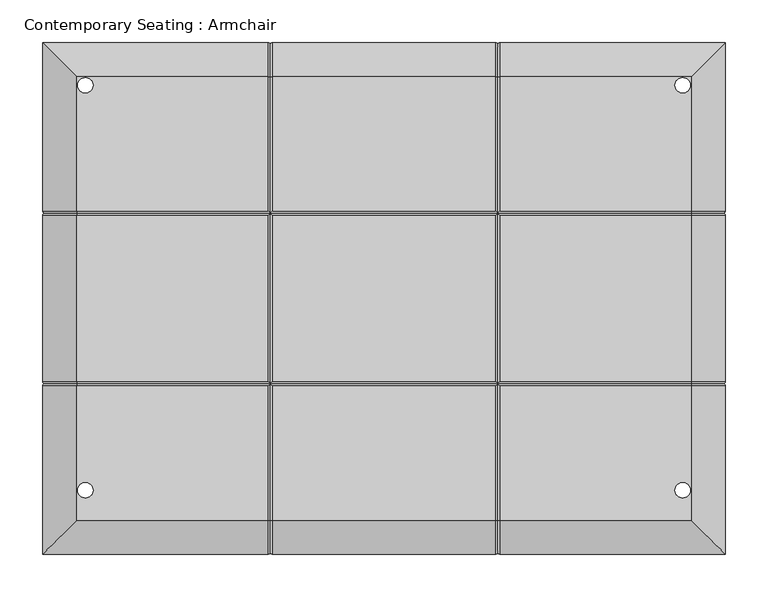
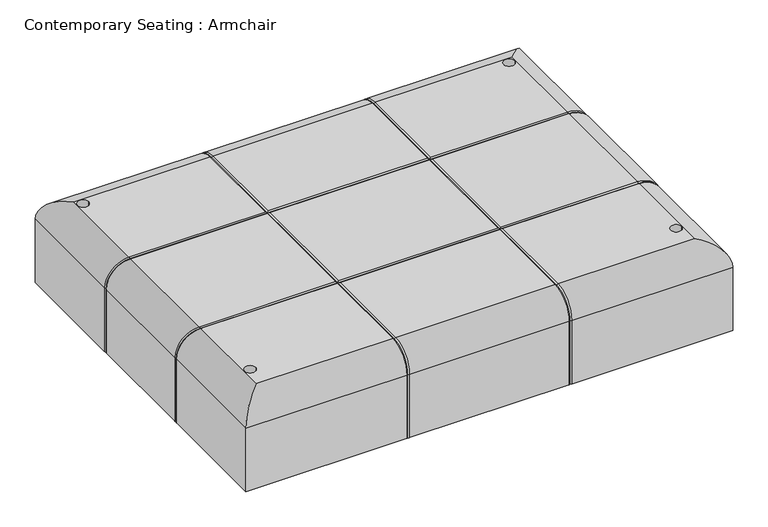
"""IFC4 building model written with IfcOpenShell, lengths in millimetres: furniture geometry, Contemporary Seating : Armchair."""

from ifc_helpers import new_model, si_unit, point, frame, origin, place, context, project, spatial, polyline, circle_curve, ellipse_curve, trimmed, source, transform, mapped, element, save
from ifc_brep_helpers import plane_surface, cylinder_surface, revolved_surface, advanced_brep


def contemporary_seating_armchair_13fb45e9(model_context):
    return source(origin(), model_context, "Body", "AdvancedBrep", [
        advanced_brep(
        [(-278.6188067, -600.0, 360.0), (-278.6188067, -600.0, 250.0), (-14.6315493, -600.0, 250.0), (-14.6315493, -600.0, 360.0), (521.3811933, -600.0, 250.0), (521.3811933, -600.0, 360.0), (257.3939359, -600.0, 360.0), (257.3939359, -600.0, 250.0), (-9.2727308, -600.0, 250.0), (252.0351174, -600.0, 250.0), (252.0351174, -600.0, 360.0), (-9.2727308, -600.0, 360.0), (521.3811933, 0.0, 360.0), (521.3811933, 0.0, 250.0), (257.3939359, 0.0, 250.0), (257.3939359, 0.0, 360.0), (-278.6188067, 0.0, 250.0), (-278.6188067, 0.0, 360.0), (-14.6315493, 0.0, 360.0), (-14.6315493, 0.0, 250.0), (252.0351174, 0.0, 250.0), (-9.2727308, 0.0, 250.0), (-9.2727308, 0.0, 360.0), (252.0351174, 0.0, 360.0), (-238.6188067, -402.679408, 400.0), (-238.6188067, -560.0, 400.0), (-14.6315493, -560.0, 400.0), (-14.6315493, -402.6794092, 400.0), (-237.6188067, -525.0, 400.0), (-219.6188067, -525.0, 400.0), (-238.6188067, -40.0, 400.0), (-238.6188067, -197.3205908, 400.0), (-14.6315493, -197.3205908, 400.0), (-14.6315493, -40.0, 400.0), (-219.6188067, -50.0, 400.0), (-237.6188067, -50.0, 400.0), (-238.6188067, -202.6794084, 400.0), (-238.6188067, -397.3205908, 400.0), (-14.6315493, -397.3205908, 400.0), (-14.6315493, -202.6794092, 400.0), (481.3811933, -560.0, 400.0), (481.3811933, -402.6794092, 400.0), (257.3939359, -402.6794092, 400.0), (257.3939359, -560.0, 400.0), (480.3811933, -525.0, 400.0), (462.3811933, -525.0, 400.0), (481.3811933, -197.3205908, 400.0), (481.3811933, -40.0, 400.0), (257.3939359, -40.0, 400.0), (257.3939359, -197.3205908, 400.0), (462.3811933, -50.0, 400.0), (480.3811933, -50.0, 400.0), (481.3811933, -397.3205908, 400.0), (481.3811933, -202.6794092, 400.0), (257.3939359, -202.6794092, 400.0), (257.3939359, -397.3205908, 400.0), (252.0351187, -40.0, 400.0), (-9.2727308, -40.0, 400.0), (-9.2727308, -197.3205908, 400.0), (252.0351174, -197.3205908, 400.0), (-9.2727308, -560.0, 400.0), (252.0351174, -560.0, 400.0), (252.0351174, -402.6794092, 400.0), (-9.2727308, -402.6794092, 400.0), (-9.2727308, -397.3205908, 400.0), (252.0351174, -397.3205908, 400.0), (252.0351174, -202.6794092, 400.0), (-9.2727308, -202.6794092, 400.0), (-278.6188067, -402.6794092, 360.0), (-278.6188067, -402.6794092, 250.0), (-278.6188067, -197.3205908, 250.0), (-278.6188067, -197.3205908, 360.0), (-278.6188067, -397.3205908, 360.0), (-278.6188067, -202.6794092, 360.0), (-278.6188067, -202.6794092, 250.0), (-278.6188067, -397.3205908, 250.0), (-275.9393975, -400.0, 250.0), (-275.9393975, -200.0, 250.0), (-11.95214, -2.6794092, 250.0), (254.7145266, -2.6794092, 250.0), (521.3811933, -197.3205908, 250.0), (518.7017841, -200.0, 250.0), (521.3811933, -202.6794092, 250.0), (521.3811933, -397.3205908, 250.0), (518.7017841, -400.0, 250.0), (521.3811933, -402.6794092, 250.0), (254.7145266, -597.3205908, 250.0), (-11.95214, -597.3205908, 250.0), (-237.6188067, -50.0, 250.0), (-219.6188067, -50.0, 250.0), (480.3811933, -50.0, 250.0), (462.3811933, -50.0, 250.0), (462.3811933, -525.0, 250.0), (480.3811933, -525.0, 250.0), (-219.6188067, -525.0, 250.0), (-237.6188067, -525.0, 250.0), (521.3811933, -402.6794092, 360.0), (521.3811933, -197.3205908, 360.0), (521.3811933, -202.6794092, 360.0), (521.3811933, -397.3205908, 360.0), (-275.9393975, -400.0, 360.0), (-275.9393975, -200.0, 360.0), (-238.6188067, -400.0, 397.3205908), (-238.6188067, -200.0, 397.3205908), (-11.95214, -400.0, 397.3205908), (254.7145266, -400.0, 397.3205908), (481.3811933, -400.0, 397.3205908), (-11.95214, -200.0, 397.3205908), (254.7145266, -200.0, 397.3205908), (481.3811933, -200.0, 397.3205908), (518.7017841, -400.0, 360.0), (518.7017841, -200.0, 360.0), (-11.95214, -2.6794092, 360.0), (254.7145266, -2.6794092, 360.0), (-11.95214, -40.0, 397.3205908), (254.7145266, -40.0, 397.3205908), (-11.95214, -560.0, 397.3205908), (254.7145266, -560.0, 397.3205908), (-11.95214, -597.3205908, 360.0), (254.7145266, -597.3205908, 360.0)],
        [
            (0, 1),
            (1, 2),
            (2, 3),
            (3, 0),
            (4, 5),
            (5, 6),
            (6, 7),
            (7, 4),
            (8, 9),
            (9, 10),
            (10, 11),
            (11, 8),
            (12, 13),
            (13, 14),
            (14, 15),
            (15, 12),
            (16, 17),
            (17, 18),
            (18, 19),
            (19, 16),
            (20, 21),
            (21, 22),
            (22, 23),
            (23, 20),
            (24, 25),
            (25, 26),
            (26, 27),
            (27, 24),
            (28, 29, circle_curve(frame((-228.6188067, -525.0, 400.0), z_axis=(0.0, 0.0, -1.0), x_axis=(1.0, 0.0, 0.0)), 9.0)),
            (29, 28, circle_curve(frame((-228.6188067, -525.0, 400.0), z_axis=(0.0, 0.0, -1.0), x_axis=(1.0, 0.0, 0.0)), 9.0)),
            (30, 31),
            (31, 32),
            (32, 33),
            (33, 30),
            (34, 35, circle_curve(frame((-228.6188067, -50.0, 400.0), z_axis=(0.0, 0.0, -1.0), x_axis=(1.0, 0.0, 0.0)), 9.0)),
            (35, 34, circle_curve(frame((-228.6188067, -50.0, 400.0), z_axis=(0.0, 0.0, -1.0), x_axis=(1.0, 0.0, 0.0)), 9.0)),
            (36, 37),
            (37, 38),
            (38, 39),
            (39, 36),
            (40, 41),
            (41, 42),
            (42, 43),
            (43, 40),
            (44, 45, circle_curve(frame((471.3811933, -525.0, 400.0), z_axis=(0.0, 0.0, -1.0), x_axis=(1.0, 0.0, 0.0)), 9.0)),
            (45, 44, circle_curve(frame((471.3811933, -525.0, 400.0), z_axis=(0.0, 0.0, -1.0), x_axis=(1.0, 0.0, 0.0)), 9.0)),
            (46, 47),
            (47, 48),
            (48, 49),
            (49, 46),
            (50, 51, circle_curve(frame((471.3811933, -50.0, 400.0), z_axis=(0.0, 0.0, -1.0), x_axis=(1.0, 0.0, 0.0)), 9.0)),
            (51, 50, circle_curve(frame((471.3811933, -50.0, 400.0), z_axis=(0.0, 0.0, -1.0), x_axis=(1.0, 0.0, 0.0)), 9.0)),
            (52, 53),
            (53, 54),
            (54, 55),
            (55, 52),
            (56, 57),
            (57, 58),
            (58, 59),
            (59, 56),
            (60, 61),
            (61, 62),
            (62, 63),
            (63, 60),
            (64, 65),
            (65, 66),
            (66, 67),
            (67, 64),
            (0, 68),
            (68, 69),
            (69, 1),
            (16, 70),
            (70, 71),
            (71, 17),
            (72, 73),
            (73, 74),
            (74, 75),
            (75, 72),
            (69, 76, circle_curve(frame((-275.9393975, -402.6794092, 250.0), z_axis=(0.0, 0.0, -1.0), x_axis=(1.0, 0.0, 0.0)), 2.6794092)),
            (76, 75, circle_curve(frame((-275.9393975, -397.3205908, 250.0), z_axis=(0.0, 0.0, -1.0), x_axis=(1.0, 0.0, 0.0)), 2.6794092)),
            (74, 77, circle_curve(frame((-275.9393975, -202.6794092, 250.0), z_axis=(0.0, 0.0, -1.0), x_axis=(1.0, 0.0, 0.0)), 2.6794092)),
            (77, 70, circle_curve(frame((-275.9393975, -197.3205908, 250.0), z_axis=(0.0, 0.0, -1.0), x_axis=(1.0, 0.0, 0.0)), 2.6794092)),
            (19, 78, circle_curve(frame((-14.6315493, -2.6794092, 250.0), z_axis=(0.0, 0.0, -1.0), x_axis=(1.0, 0.0, 0.0)), 2.6794092)),
            (78, 21, circle_curve(frame((-9.2727308, -2.6794092, 250.0), z_axis=(0.0, 0.0, -1.0), x_axis=(1.0, 0.0, 0.0)), 2.6794092)),
            (20, 79, circle_curve(frame((252.0351174, -2.6794092, 250.0), z_axis=(0.0, 0.0, -1.0), x_axis=(1.0, 0.0, 0.0)), 2.6794092)),
            (79, 14, circle_curve(frame((257.3939359, -2.6794092, 250.0), z_axis=(0.0, 0.0, -1.0), x_axis=(1.0, 0.0, 0.0)), 2.6794092)),
            (13, 80),
            (80, 81, circle_curve(frame((518.7017841, -197.3205908, 250.0), z_axis=(0.0, 0.0, -1.0), x_axis=(-1.0, 0.0, 0.0)), 2.6794092)),
            (81, 82, circle_curve(frame((518.7017841, -202.6794092, 250.0), z_axis=(0.0, 0.0, -1.0), x_axis=(-1.0, 0.0, 0.0)), 2.6794092)),
            (82, 83),
            (83, 84, circle_curve(frame((518.7017841, -397.3205908, 250.0), z_axis=(0.0, 0.0, -1.0), x_axis=(-1.0, 0.0, 0.0)), 2.6794092)),
            (84, 85, circle_curve(frame((518.7017841, -402.6794092, 250.0), z_axis=(0.0, 0.0, -1.0), x_axis=(-1.0, 0.0, 0.0)), 2.6794092)),
            (85, 4),
            (7, 86, circle_curve(frame((257.3939359, -597.3205908, 250.0), z_axis=(0.0, 0.0, -1.0), x_axis=(1.0, 0.0, 0.0)), 2.6794092)),
            (86, 9, circle_curve(frame((252.0351174, -597.3205908, 250.0), z_axis=(0.0, 0.0, -1.0), x_axis=(1.0, 0.0, 0.0)), 2.6794092)),
            (8, 87, circle_curve(frame((-9.2727308, -597.3205908, 250.0), z_axis=(0.0, 0.0, -1.0), x_axis=(1.0, 0.0, 0.0)), 2.6794092)),
            (87, 2, circle_curve(frame((-14.6315493, -597.3205908, 250.0), z_axis=(0.0, 0.0, -1.0), x_axis=(1.0, 0.0, 0.0)), 2.6794092)),
            (88, 89, circle_curve(frame((-228.6188067, -50.0, 250.0), z_axis=(0.0, 0.0, 1.0), x_axis=(1.0, 0.0, 0.0)), 9.0)),
            (89, 88, circle_curve(frame((-228.6188067, -50.0, 250.0), z_axis=(0.0, 0.0, 1.0), x_axis=(1.0, 0.0, 0.0)), 9.0)),
            (90, 91, circle_curve(frame((471.3811933, -50.0, 250.0), z_axis=(0.0, 0.0, 1.0), x_axis=(1.0, 0.0, 0.0)), 9.0)),
            (91, 90, circle_curve(frame((471.3811933, -50.0, 250.0), z_axis=(0.0, 0.0, 1.0), x_axis=(1.0, 0.0, 0.0)), 9.0)),
            (92, 93, circle_curve(frame((471.3811933, -525.0, 250.0), z_axis=(0.0, 0.0, 1.0), x_axis=(1.0, 0.0, 0.0)), 9.0)),
            (93, 92, circle_curve(frame((471.3811933, -525.0, 250.0), z_axis=(0.0, 0.0, 1.0), x_axis=(1.0, 0.0, 0.0)), 9.0)),
            (94, 95, circle_curve(frame((-228.6188067, -525.0, 250.0), z_axis=(0.0, 0.0, 1.0), x_axis=(1.0, 0.0, 0.0)), 9.0)),
            (95, 94, circle_curve(frame((-228.6188067, -525.0, 250.0), z_axis=(0.0, 0.0, 1.0), x_axis=(1.0, 0.0, 0.0)), 9.0)),
            (85, 96),
            (96, 5),
            (12, 97),
            (97, 80),
            (82, 98),
            (98, 99),
            (99, 83),
            (36, 73, circle_curve(frame((-238.6188067, -202.6794092, 360.0), z_axis=(0.0, -1.0, 0.0), x_axis=(-1.0, 0.0, 0.0)), 40.0)),
            (72, 37, circle_curve(frame((-238.6188067, -397.3205908, 360.0), z_axis=(0.0, 1.0, 0.0), x_axis=(-1.0, 0.0, 0.0)), 40.0)),
            (30, 17, ellipse_curve(frame((-238.6188067, -40.0, 360.0), z_axis=(-0.7071067811865475, -0.7071067811865475, 0.0), x_axis=(-0.7071067811865474, 0.7071067811865476, 0.0)), 56.5685425, 40.0)),
            (71, 31, circle_curve(frame((-238.6188067, -197.3205908, 360.0), z_axis=(0.0, 1.0, 0.0), x_axis=(-1.0, 0.0, 0.0)), 40.0)),
            (0, 25, ellipse_curve(frame((-238.6188067, -560.0, 360.0), z_axis=(-0.7071067811865475, 0.7071067811865475, 0.0), x_axis=(0.7071067811865474, 0.7071067811865476, 0.0)), 56.5685425, 40.0)),
            (24, 68, circle_curve(frame((-238.6188067, -402.6794092, 360.0), z_axis=(0.0, -1.0, 0.0), x_axis=(-1.0, 0.0, 0.0)), 40.0)),
            (22, 57, circle_curve(frame((-9.2727308, -40.0, 360.0), z_axis=(1.0, 0.0, 0.0), x_axis=(0.0, 1.0, 0.0)), 40.0)),
            (56, 23, circle_curve(frame((252.0351174, -40.0, 360.0), z_axis=(-1.0, 0.0, 0.0), x_axis=(0.0, 1.0, 0.0)), 40.0)),
            (33, 18, circle_curve(frame((-14.6315493, -40.0, 360.0), z_axis=(-1.0, 0.0, 0.0), x_axis=(0.0, 1.0, 0.0)), 40.0)),
            (47, 12, ellipse_curve(frame((481.3811933, -40.0, 360.0), z_axis=(-0.7071067811865475, 0.7071067811865475, 0.0), x_axis=(0.7071067811865476, 0.7071067811865474, 0.0)), 56.5685425, 40.0)),
            (15, 48, circle_curve(frame((257.3939359, -40.0, 360.0), z_axis=(1.0, 0.0, 0.0), x_axis=(0.0, 1.0, 0.0)), 40.0)),
            (52, 99, circle_curve(frame((481.3811933, -397.3205908, 360.0), z_axis=(0.0, 1.0, 0.0), x_axis=(1.0, 0.0, 0.0)), 40.0)),
            (98, 53, circle_curve(frame((481.3811933, -202.6794092, 360.0), z_axis=(0.0, -1.0, 0.0), x_axis=(1.0, 0.0, 0.0)), 40.0)),
            (46, 97, circle_curve(frame((481.3811933, -197.3205908, 360.0), z_axis=(0.0, 1.0, 0.0), x_axis=(1.0, 0.0, 0.0)), 40.0)),
            (40, 5, ellipse_curve(frame((481.3811933, -560.0, 360.0), z_axis=(0.7071067811865475, 0.7071067811865475, 0.0), x_axis=(0.7071067811865474, -0.7071067811865476, 0.0)), 56.5685425, 40.0)),
            (96, 41, circle_curve(frame((481.3811933, -402.6794092, 360.0), z_axis=(0.0, -1.0, 0.0), x_axis=(1.0, 0.0, 0.0)), 40.0)),
            (10, 61, circle_curve(frame((252.0351174, -560.0, 360.0), z_axis=(-1.0, 0.0, 0.0), x_axis=(0.0, -1.0, 0.0)), 40.0)),
            (60, 11, circle_curve(frame((-9.2727308, -560.0, 360.0), z_axis=(1.0, 0.0, 0.0), x_axis=(0.0, -1.0, 0.0)), 40.0)),
            (3, 26, circle_curve(frame((-14.6315493, -560.0, 360.0), z_axis=(-1.0, 0.0, 0.0), x_axis=(0.0, -1.0, 0.0)), 40.0)),
            (43, 6, circle_curve(frame((257.3939359, -560.0, 360.0), z_axis=(1.0, 0.0, 0.0), x_axis=(0.0, -1.0, 0.0)), 40.0)),
            (34, 89),
            (88, 35),
            (50, 91),
            (90, 51),
            (44, 93),
            (92, 45),
            (28, 95),
            (94, 29),
            (76, 100),
            (100, 72, circle_curve(frame((-275.9393975, -397.3205908, 360.0), z_axis=(0.0, 0.0, -1.0), x_axis=(1.0, 0.0, 0.0)), 2.6794092)),
            (68, 100, circle_curve(frame((-275.9393975, -402.6794092, 360.0), z_axis=(0.0, 0.0, -1.0), x_axis=(1.0, 0.0, 0.0)), 2.6794092)),
            (77, 101),
            (101, 71, circle_curve(frame((-275.9393975, -197.3205908, 360.0), z_axis=(0.0, 0.0, -1.0), x_axis=(1.0, 0.0, 0.0)), 2.6794092)),
            (73, 101, circle_curve(frame((-275.9393975, -202.6794092, 360.0), z_axis=(0.0, 0.0, -1.0), x_axis=(1.0, 0.0, 0.0)), 2.6794092)),
            (100, 102, circle_curve(frame((-238.6188067, -400.0, 360.0), z_axis=(0.0, 1.0, 0.0), x_axis=(-1.0, 0.0, 0.0)), 37.3205908)),
            (102, 37, circle_curve(frame((-238.6188067, -397.3205908, 397.3205908), z_axis=(-1.0, 0.0, 0.0), x_axis=(0.0, 0.0, -1.0)), 2.6794092)),
            (24, 102, circle_curve(frame((-238.6188067, -402.6794092, 397.3205908), z_axis=(-1.0, 0.0, 0.0), x_axis=(0.0, 0.0, -1.0)), 2.6794092)),
            (101, 103, circle_curve(frame((-238.6188067, -200.0, 360.0), z_axis=(0.0, 1.0, 0.0), x_axis=(-1.0, 0.0, 0.0)), 37.3205908)),
            (103, 31, circle_curve(frame((-238.6188067, -197.3205908, 397.3205908), z_axis=(-1.0, 0.0, 0.0), x_axis=(0.0, 0.0, -1.0)), 2.6794092)),
            (36, 103, circle_curve(frame((-238.6188067, -202.6794092, 397.3205908), z_axis=(-1.0, 0.0, 0.0), x_axis=(0.0, 0.0, -1.0)), 2.6794092)),
            (64, 104, ellipse_curve(frame((-9.2727308, -397.3205908, 397.3205908), z_axis=(0.7071067811865464, -0.7071067811865487, 0.0), x_axis=(0.7071067811865487, 0.7071067811865464, 0.0)), 3.7892569, 2.6794092)),
            (104, 105),
            (105, 65, ellipse_curve(frame((252.0351174, -397.3205908, 397.3205908), z_axis=(-0.7071067811865487, -0.7071067811865464, 0.0), x_axis=(0.7071067811865464, -0.7071067811865487, 0.0)), 3.7892569, 2.6794092)),
            (102, 104),
            (104, 38, ellipse_curve(frame((-14.6315493, -397.3205908, 397.3205908), z_axis=(-0.7071067811865487, -0.7071067811865464, 0.0), x_axis=(0.7071067811865464, -0.7071067811865487, 0.0)), 3.7892569, 2.6794092)),
            (106, 52, circle_curve(frame((481.3811933, -397.3205908, 397.3205908), z_axis=(-1.0, 0.0, 0.0), x_axis=(0.0, 0.0, -1.0)), 2.6794092)),
            (55, 105, ellipse_curve(frame((257.3939359, -397.3205908, 397.3205908), z_axis=(0.7071067811865464, -0.7071067811865487, 0.0), x_axis=(0.7071067811865487, 0.7071067811865464, 0.0)), 3.7892569, 2.6794092)),
            (105, 106),
            (62, 105, ellipse_curve(frame((252.0351174, -402.6794092, 397.3205908), z_axis=(-0.7071067811865464, 0.7071067811865487, 0.0), x_axis=(0.7071067811865487, 0.7071067811865464, 0.0)), 3.7892569, 2.6794092)),
            (104, 63, ellipse_curve(frame((-9.2727308, -402.6794092, 397.3205908), z_axis=(0.7071067811865487, 0.7071067811865464, 0.0), x_axis=(0.7071067811865464, -0.7071067811865487, 0.0)), 3.7892569, 2.6794092)),
            (27, 104, ellipse_curve(frame((-14.6315493, -402.6794092, 397.3205908), z_axis=(-0.7071067811865464, 0.7071067811865487, 0.0), x_axis=(0.7071067811865487, 0.7071067811865464, 0.0)), 3.7892569, 2.6794092)),
            (41, 106, circle_curve(frame((481.3811933, -402.6794092, 397.3205908), z_axis=(-1.0, 0.0, 0.0), x_axis=(0.0, 0.0, -1.0)), 2.6794092)),
            (105, 42, ellipse_curve(frame((257.3939359, -402.6794092, 397.3205908), z_axis=(0.7071067811865487, 0.7071067811865464, 0.0), x_axis=(0.7071067811865464, -0.7071067811865487, 0.0)), 3.7892569, 2.6794092)),
            (58, 107, ellipse_curve(frame((-9.2727308, -197.3205908, 397.3205908), z_axis=(0.7071067811865464, -0.7071067811865487, 0.0), x_axis=(0.7071067811865487, 0.7071067811865464, 0.0)), 3.7892569, 2.6794092)),
            (107, 108),
            (108, 59, ellipse_curve(frame((252.0351174, -197.3205908, 397.3205908), z_axis=(-0.7071067811865487, -0.7071067811865464, 0.0), x_axis=(0.7071067811865464, -0.7071067811865487, 0.0)), 3.7892569, 2.6794092)),
            (103, 107),
            (107, 32, ellipse_curve(frame((-14.6315493, -197.3205908, 397.3205908), z_axis=(-0.7071067811865487, -0.7071067811865464, 0.0), x_axis=(0.7071067811865464, -0.7071067811865487, 0.0)), 3.7892569, 2.6794092)),
            (109, 46, circle_curve(frame((481.3811933, -197.3205908, 397.3205908), z_axis=(-1.0, 0.0, 0.0), x_axis=(0.0, 0.0, -1.0)), 2.6794092)),
            (49, 108, ellipse_curve(frame((257.3939359, -197.3205908, 397.3205908), z_axis=(0.7071067811865464, -0.7071067811865487, 0.0), x_axis=(0.7071067811865487, 0.7071067811865464, 0.0)), 3.7892569, 2.6794092)),
            (108, 109),
            (66, 108, ellipse_curve(frame((252.0351174, -202.6794092, 397.3205908), z_axis=(-0.7071067811865464, 0.7071067811865487, 0.0), x_axis=(0.7071067811865487, 0.7071067811865464, 0.0)), 3.7892569, 2.6794092)),
            (107, 67, ellipse_curve(frame((-9.2727308, -202.6794092, 397.3205908), z_axis=(0.7071067811865487, 0.7071067811865464, 0.0), x_axis=(0.7071067811865464, -0.7071067811865487, 0.0)), 3.7892569, 2.6794092)),
            (39, 107, ellipse_curve(frame((-14.6315493, -202.6794092, 397.3205908), z_axis=(-0.7071067811865464, 0.7071067811865487, 0.0), x_axis=(0.7071067811865487, 0.7071067811865464, 0.0)), 3.7892569, 2.6794092)),
            (53, 109, circle_curve(frame((481.3811933, -202.6794092, 397.3205908), z_axis=(-1.0, 0.0, 0.0), x_axis=(0.0, 0.0, -1.0)), 2.6794092)),
            (108, 54, ellipse_curve(frame((257.3939359, -202.6794092, 397.3205908), z_axis=(0.7071067811865487, 0.7071067811865464, 0.0), x_axis=(0.7071067811865464, -0.7071067811865487, 0.0)), 3.7892569, 2.6794092)),
            (106, 110, circle_curve(frame((481.3811933, -400.0, 360.0), z_axis=(0.0, 1.0, 0.0), x_axis=(0.0, 0.0, 1.0)), 37.3205908)),
            (110, 99, circle_curve(frame((518.7017841, -397.3205908, 360.0), z_axis=(0.0, 0.0, 1.0), x_axis=(-1.0, 0.0, 0.0)), 2.6794092)),
            (96, 110, circle_curve(frame((518.7017841, -402.6794092, 360.0), z_axis=(0.0, 0.0, 1.0), x_axis=(-1.0, 0.0, 0.0)), 2.6794092)),
            (109, 111, circle_curve(frame((481.3811933, -200.0, 360.0), z_axis=(0.0, 1.0, 0.0), x_axis=(0.0, 0.0, 1.0)), 37.3205908)),
            (111, 97, circle_curve(frame((518.7017841, -197.3205908, 360.0), z_axis=(0.0, 0.0, 1.0), x_axis=(-1.0, 0.0, 0.0)), 2.6794092)),
            (98, 111, circle_curve(frame((518.7017841, -202.6794092, 360.0), z_axis=(0.0, 0.0, 1.0), x_axis=(-1.0, 0.0, 0.0)), 2.6794092)),
            (110, 84),
            (111, 81),
            (78, 112),
            (112, 22, circle_curve(frame((-9.2727308, -2.6794092, 360.0), z_axis=(0.0, 0.0, -1.0), x_axis=(1.0, 0.0, 0.0)), 2.6794092)),
            (18, 112, circle_curve(frame((-14.6315493, -2.6794092, 360.0), z_axis=(0.0, 0.0, -1.0), x_axis=(1.0, 0.0, 0.0)), 2.6794092)),
            (79, 113),
            (113, 15, circle_curve(frame((257.3939359, -2.6794092, 360.0), z_axis=(0.0, 0.0, -1.0), x_axis=(1.0, 0.0, 0.0)), 2.6794092)),
            (23, 113, circle_curve(frame((252.0351174, -2.6794092, 360.0), z_axis=(0.0, 0.0, -1.0), x_axis=(1.0, 0.0, 0.0)), 2.6794092)),
            (112, 114, circle_curve(frame((-11.95214, -40.0, 360.0), z_axis=(1.0, 0.0, 0.0), x_axis=(0.0, 1.0, 0.0)), 37.3205908)),
            (114, 57, circle_curve(frame((-9.2727308, -40.0, 397.3205908), z_axis=(0.0, 1.0, 0.0), x_axis=(1.0, 0.0, 0.0)), 2.6794092)),
            (33, 114, circle_curve(frame((-14.6315493, -40.0, 397.3205908), z_axis=(0.0, 1.0, 0.0), x_axis=(1.0, 0.0, 0.0)), 2.6794092)),
            (113, 115, circle_curve(frame((254.7145266, -40.0, 360.0), z_axis=(1.0, 0.0, 0.0), x_axis=(0.0, 1.0, 0.0)), 37.3205908)),
            (115, 48, circle_curve(frame((257.3939359, -40.0, 397.3205908), z_axis=(0.0, 1.0, 0.0), x_axis=(1.0, 0.0, 0.0)), 2.6794092)),
            (56, 115, circle_curve(frame((252.0351174, -40.0, 397.3205908), z_axis=(0.0, 1.0, 0.0), x_axis=(1.0, 0.0, 0.0)), 2.6794092)),
            (114, 107),
            (116, 60, circle_curve(frame((-9.2727308, -560.0, 397.3205908), z_axis=(0.0, 1.0, 0.0), x_axis=(1.0, 0.0, 0.0)), 2.6794092)),
            (104, 116),
            (107, 104),
            (26, 116, circle_curve(frame((-14.6315493, -560.0, 397.3205908), z_axis=(0.0, 1.0, 0.0), x_axis=(1.0, 0.0, 0.0)), 2.6794092)),
            (115, 108),
            (117, 43, circle_curve(frame((257.3939359, -560.0, 397.3205908), z_axis=(0.0, 1.0, 0.0), x_axis=(1.0, 0.0, 0.0)), 2.6794092)),
            (105, 117),
            (108, 105),
            (61, 117, circle_curve(frame((252.0351174, -560.0, 397.3205908), z_axis=(0.0, 1.0, 0.0), x_axis=(1.0, 0.0, 0.0)), 2.6794092)),
            (116, 118, circle_curve(frame((-11.95214, -560.0, 360.0), z_axis=(1.0, 0.0, 0.0), x_axis=(0.0, 0.0, 1.0)), 37.3205908)),
            (118, 11, circle_curve(frame((-9.2727308, -597.3205908, 360.0), z_axis=(0.0, 0.0, 1.0), x_axis=(1.0, 0.0, 0.0)), 2.6794092)),
            (3, 118, circle_curve(frame((-14.6315493, -597.3205908, 360.0), z_axis=(0.0, 0.0, 1.0), x_axis=(1.0, 0.0, 0.0)), 2.6794092)),
            (117, 119, circle_curve(frame((254.7145266, -560.0, 360.0), z_axis=(1.0, 0.0, 0.0), x_axis=(0.0, 0.0, 1.0)), 37.3205908)),
            (119, 6, circle_curve(frame((257.3939359, -597.3205908, 360.0), z_axis=(0.0, 0.0, 1.0), x_axis=(1.0, 0.0, 0.0)), 2.6794092)),
            (10, 119, circle_curve(frame((252.0351174, -597.3205908, 360.0), z_axis=(0.0, 0.0, 1.0), x_axis=(1.0, 0.0, 0.0)), 2.6794092)),
            (118, 87),
            (119, 86),
        ],
        [
            plane_surface(frame((-278.6188067, -600.0, 400.0), z_axis=(0.0, -1.0, 0.0), x_axis=(-1.0, 0.0, 0.0))),
            plane_surface(frame((-278.6188067, 0.0, 400.0), z_axis=(0.0, 1.0, 0.0), x_axis=(1.0, 0.0, 0.0))),
            plane_surface(frame((521.3811933, -600.0, 400.0), z_axis=(0.0, 0.0, 1.0), x_axis=(0.0, 1.0, 0.0))),
            plane_surface(frame((-278.6188067, -600.0, 400.0), z_axis=(-1.0, 0.0, 0.0), x_axis=(0.0, 1.0, 0.0))),
            plane_surface(frame((-278.6188067, -600.0, 250.0), z_axis=(0.0, 0.0, -1.0), x_axis=(0.0, 1.0, 0.0))),
            plane_surface(frame((521.3811933, -600.0, 250.0), z_axis=(1.0, 0.0, 0.0), x_axis=(0.0, 1.0, 0.0))),
            cylinder_surface(frame((-238.6188067, -600.0, 360.0), z_axis=(0.0, 1.0, 0.0), x_axis=(-1.0, 0.0, 0.0)), 40.0),
            cylinder_surface(frame((-278.6188067, -40.0, 360.0), z_axis=(1.0, 0.0, 0.0), x_axis=(0.0, 1.0, 0.0)), 40.0),
            cylinder_surface(frame((481.3811933, 0.0, 360.0), z_axis=(0.0, -1.0, 0.0), x_axis=(1.0, 0.0, 0.0)), 40.0),
            cylinder_surface(frame((521.3811933, -560.0, 360.0), z_axis=(-1.0, 0.0, 0.0), x_axis=(0.0, -1.0, 0.0)), 40.0),
            revolved_surface(polyline([(-219.6188067, -50.0, 400.0), (-219.6188067, -50.0, 250.0)]), (-228.6188067, -50.0, 250.0), (0.0, 0.0, 1.0)),
            revolved_surface(polyline([(480.3811933, -50.0, 400.0), (480.3811933, -50.0, 250.0)]), (471.3811933, -50.0, 0.0), (0.0, 0.0, 1.0)),
            revolved_surface(polyline([(480.3811933, -525.0, 400.0), (480.3811933, -525.0, 250.0)]), (471.3811933, -525.0, 0.0), (0.0, 0.0, 1.0)),
            revolved_surface(polyline([(-219.6188067, -525.0, 400.0), (-219.6188067, -525.0, 250.0)]), (-228.6188067, -525.0, 0.0), (0.0, 0.0, 1.0)),
            cylinder_surface(frame((-275.9393975, -397.3205908, 250.0), z_axis=(0.0, 0.0, 1.0), x_axis=(1.0, 0.0, 0.0)), 2.6794092),
            cylinder_surface(frame((-275.9393975, -402.6794092, 250.0), z_axis=(0.0, 0.0, 1.0), x_axis=(1.0, 0.0, 0.0)), 2.6794092),
            cylinder_surface(frame((-275.9393975, -197.3205908, 250.0), z_axis=(0.0, 0.0, 1.0), x_axis=(1.0, 0.0, 0.0)), 2.6794092),
            cylinder_surface(frame((-275.9393975, -202.6794092, 250.0), z_axis=(0.0, 0.0, 1.0), x_axis=(1.0, 0.0, 0.0)), 2.6794092),
            revolved_surface(trimmed(ellipse_curve(frame((-275.9393975, -397.3205908, 360.0), z_axis=(0.0, 0.0, -1.0), x_axis=(1.0, 0.0, 0.0)), 2.6794092, 2.6794092), [point((-275.9393975, -400.0, 360.0))], [point((-278.6188067, -397.3205908, 360.0))], True, "CARTESIAN"), (-238.6188067, -525.0, 360.0), (0.0, 1.0, 0.0)),
            revolved_surface(trimmed(ellipse_curve(frame((-275.9393975, -402.6794092, 360.0), z_axis=(0.0, 0.0, -1.0), x_axis=(1.0, 0.0, 0.0)), 2.6794092, 2.6794092), [point((-278.6188067, -402.6794092, 360.0))], [point((-275.9393975, -400.0, 360.0))], True, "CARTESIAN"), (-238.6188067, -525.0, 360.0), (0.0, 1.0, 0.0)),
            revolved_surface(trimmed(ellipse_curve(frame((-275.9393975, -197.3205908, 360.0), z_axis=(0.0, 0.0, -1.0), x_axis=(1.0, 0.0, 0.0)), 2.6794092, 2.6794092), [point((-275.9393975, -200.0, 360.0))], [point((-278.6188067, -197.3205908, 360.0))], True, "CARTESIAN"), (-238.6188067, -525.0, 360.0), (0.0, 1.0, 0.0)),
            revolved_surface(trimmed(ellipse_curve(frame((-275.9393975, -202.6794092, 360.0), z_axis=(0.0, 0.0, -1.0), x_axis=(1.0, 0.0, 0.0)), 2.6794092, 2.6794092), [point((-278.6188067, -202.6794092, 360.0))], [point((-275.9393975, -200.0, 360.0))], True, "CARTESIAN"), (-238.6188067, -525.0, 360.0), (0.0, 1.0, 0.0)),
            cylinder_surface(frame((-238.6188067, -397.3205908, 397.3205908), z_axis=(1.0, 0.0, 0.0), x_axis=(0.0, 0.0, -1.0)), 2.6794092),
            cylinder_surface(frame((-238.6188067, -402.6794092, 397.3205908), z_axis=(1.0, 0.0, 0.0), x_axis=(0.0, 0.0, -1.0)), 2.6794092),
            cylinder_surface(frame((-238.6188067, -197.3205908, 397.3205908), z_axis=(1.0, 0.0, 0.0), x_axis=(0.0, 0.0, -1.0)), 2.6794092),
            cylinder_surface(frame((-238.6188067, -202.6794092, 397.3205908), z_axis=(1.0, 0.0, 0.0), x_axis=(0.0, 0.0, -1.0)), 2.6794092),
            revolved_surface(trimmed(ellipse_curve(frame((481.3811933, -397.3205908, 397.3205908), z_axis=(-1.0, 0.0, 0.0), x_axis=(0.0, 0.0, -1.0)), 2.6794092, 2.6794092), [point((481.3811933, -400.0, 397.3205908))], [point((481.3811933, -397.3205908, 400.0))], True, "CARTESIAN"), (481.3811933, -525.0, 360.0), (0.0, 1.0, 0.0)),
            revolved_surface(trimmed(ellipse_curve(frame((481.3811933, -402.6794092, 397.3205908), z_axis=(-1.0, 0.0, 0.0), x_axis=(0.0, 0.0, -1.0)), 2.6794092, 2.6794092), [point((481.3811933, -402.6794092, 400.0))], [point((481.3811933, -400.0, 397.3205908))], True, "CARTESIAN"), (481.3811933, -525.0, 360.0), (0.0, 1.0, 0.0)),
            revolved_surface(trimmed(ellipse_curve(frame((481.3811933, -197.3205908, 397.3205908), z_axis=(-1.0, 0.0, 0.0), x_axis=(0.0, 0.0, -1.0)), 2.6794092, 2.6794092), [point((481.3811933, -200.0, 397.3205908))], [point((481.3811933, -197.3205908, 400.0))], True, "CARTESIAN"), (481.3811933, -525.0, 360.0), (0.0, 1.0, 0.0)),
            revolved_surface(trimmed(ellipse_curve(frame((481.3811933, -202.6794092, 397.3205908), z_axis=(-1.0, 0.0, 0.0), x_axis=(0.0, 0.0, -1.0)), 2.6794092, 2.6794092), [point((481.3811933, -202.6794092, 400.0))], [point((481.3811933, -200.0, 397.3205908))], True, "CARTESIAN"), (481.3811933, -525.0, 360.0), (0.0, 1.0, 0.0)),
            cylinder_surface(frame((518.7017841, -397.3205908, 360.0), z_axis=(0.0, 0.0, -1.0), x_axis=(-1.0, 0.0, 0.0)), 2.6794092),
            cylinder_surface(frame((518.7017841, -402.6794092, 360.0), z_axis=(0.0, 0.0, -1.0), x_axis=(-1.0, 0.0, 0.0)), 2.6794092),
            cylinder_surface(frame((518.7017841, -197.3205908, 360.0), z_axis=(0.0, 0.0, -1.0), x_axis=(-1.0, 0.0, 0.0)), 2.6794092),
            cylinder_surface(frame((518.7017841, -202.6794092, 360.0), z_axis=(0.0, 0.0, -1.0), x_axis=(-1.0, 0.0, 0.0)), 2.6794092),
            cylinder_surface(frame((-9.2727308, -2.6794092, 250.0), z_axis=(0.0, 0.0, 1.0), x_axis=(1.0, 0.0, 0.0)), 2.6794092),
            cylinder_surface(frame((-14.6315493, -2.6794092, 250.0), z_axis=(0.0, 0.0, 1.0), x_axis=(1.0, 0.0, 0.0)), 2.6794092),
            cylinder_surface(frame((257.3939359, -2.6794092, 250.0), z_axis=(0.0, 0.0, 1.0), x_axis=(1.0, 0.0, 0.0)), 2.6794092),
            cylinder_surface(frame((252.0351174, -2.6794092, 250.0), z_axis=(0.0, 0.0, 1.0), x_axis=(1.0, 0.0, 0.0)), 2.6794092),
            revolved_surface(trimmed(ellipse_curve(frame((-9.2727308, -2.6794092, 360.0), z_axis=(0.0, 0.0, -1.0), x_axis=(1.0, 0.0, 0.0)), 2.6794092, 2.6794092), [point((-11.95214, -2.6794092, 360.0))], [point((-9.2727308, 0.0, 360.0))], True, "CARTESIAN"), (121.3811933, -40.0, 360.0), (1.0, 0.0, 0.0)),
            revolved_surface(trimmed(ellipse_curve(frame((-14.6315493, -2.6794092, 360.0), z_axis=(0.0, 0.0, -1.0), x_axis=(1.0, 0.0, 0.0)), 2.6794092, 2.6794092), [point((-14.6315493, 0.0, 360.0))], [point((-11.95214, -2.6794092, 360.0))], True, "CARTESIAN"), (121.3811933, -40.0, 360.0), (1.0, 0.0, 0.0)),
            revolved_surface(trimmed(ellipse_curve(frame((257.3939359, -2.6794092, 360.0), z_axis=(0.0, 0.0, -1.0), x_axis=(1.0, 0.0, 0.0)), 2.6794092, 2.6794092), [point((254.7145266, -2.6794092, 360.0))], [point((257.3939359, 0.0, 360.0))], True, "CARTESIAN"), (121.3811933, -40.0, 360.0), (1.0, 0.0, 0.0)),
            revolved_surface(trimmed(ellipse_curve(frame((252.0351174, -2.6794092, 360.0), z_axis=(0.0, 0.0, -1.0), x_axis=(1.0, 0.0, 0.0)), 2.6794092, 2.6794092), [point((252.0351174, 0.0, 360.0))], [point((254.7145266, -2.6794092, 360.0))], True, "CARTESIAN"), (121.3811933, -40.0, 360.0), (1.0, 0.0, 0.0)),
            cylinder_surface(frame((-9.2727308, -40.0, 397.3205908), z_axis=(0.0, -1.0, 0.0), x_axis=(1.0, 0.0, 0.0)), 2.6794092),
            cylinder_surface(frame((-14.6315493, -40.0, 397.3205908), z_axis=(0.0, -1.0, 0.0), x_axis=(1.0, 0.0, 0.0)), 2.6794092),
            cylinder_surface(frame((257.3939359, -40.0, 397.3205908), z_axis=(0.0, -1.0, 0.0), x_axis=(1.0, 0.0, 0.0)), 2.6794092),
            cylinder_surface(frame((252.0351174, -40.0, 397.3205908), z_axis=(0.0, -1.0, 0.0), x_axis=(1.0, 0.0, 0.0)), 2.6794092),
            revolved_surface(trimmed(ellipse_curve(frame((-9.2727308, -560.0, 397.3205908), z_axis=(0.0, 1.0, 0.0), x_axis=(1.0, 0.0, 0.0)), 2.6794092, 2.6794092), [point((-11.95214, -560.0, 397.3205908))], [point((-9.2727308, -560.0, 400.0))], True, "CARTESIAN"), (121.3811933, -560.0, 360.0), (1.0, 0.0, 0.0)),
            revolved_surface(trimmed(ellipse_curve(frame((-14.6315493, -560.0, 397.3205908), z_axis=(0.0, 1.0, 0.0), x_axis=(1.0, 0.0, 0.0)), 2.6794092, 2.6794092), [point((-14.6315493, -560.0, 400.0))], [point((-11.95214, -560.0, 397.3205908))], True, "CARTESIAN"), (121.3811933, -560.0, 360.0), (1.0, 0.0, 0.0)),
            revolved_surface(trimmed(ellipse_curve(frame((257.3939359, -560.0, 397.3205908), z_axis=(0.0, 1.0, 0.0), x_axis=(1.0, 0.0, 0.0)), 2.6794092, 2.6794092), [point((254.7145266, -560.0, 397.3205908))], [point((257.3939359, -560.0, 400.0))], True, "CARTESIAN"), (121.3811933, -560.0, 360.0), (1.0, 0.0, 0.0)),
            revolved_surface(trimmed(ellipse_curve(frame((252.0351174, -560.0, 397.3205908), z_axis=(0.0, 1.0, 0.0), x_axis=(1.0, 0.0, 0.0)), 2.6794092, 2.6794092), [point((252.0351174, -560.0, 400.0))], [point((254.7145266, -560.0, 397.3205908))], True, "CARTESIAN"), (121.3811933, -560.0, 360.0), (1.0, 0.0, 0.0)),
            cylinder_surface(frame((-9.2727308, -597.3205908, 360.0), z_axis=(0.0, 0.0, -1.0), x_axis=(1.0, 0.0, 0.0)), 2.6794092),
            cylinder_surface(frame((-14.6315493, -597.3205908, 360.0), z_axis=(0.0, 0.0, -1.0), x_axis=(1.0, 0.0, 0.0)), 2.6794092),
            cylinder_surface(frame((257.3939359, -597.3205908, 360.0), z_axis=(0.0, 0.0, -1.0), x_axis=(1.0, 0.0, 0.0)), 2.6794092),
            cylinder_surface(frame((252.0351174, -597.3205908, 360.0), z_axis=(0.0, 0.0, -1.0), x_axis=(1.0, 0.0, 0.0)), 2.6794092),
        ],
        [
            (0, [[1, 2, 3, 4]]),
            (0, [[5, 6, 7, 8]]),
            (0, [[9, 10, 11, 12]]),
            (1, [[13, 14, 15, 16]]),
            (1, [[17, 18, 19, 20]]),
            (1, [[21, 22, 23, 24]]),
            (2, [[25, 26, 27, 28], [29, 30]]),
            (2, [[31, 32, 33, 34], [35, 36]]),
            (2, [[37, 38, 39, 40]]),
            (2, [[41, 42, 43, 44], [45, 46]]),
            (2, [[47, 48, 49, 50], [51, 52]]),
            (2, [[53, 54, 55, 56]]),
            (2, [[57, 58, 59, 60]]),
            (2, [[61, 62, 63, 64]]),
            (2, [[65, 66, 67, 68]]),
            (3, [[-1, 69, 70, 71]]),
            (3, [[-17, 72, 73, 74]]),
            (3, [[75, 76, 77, 78]]),
            (4, [[-71, 79, 80, -77, 81, 82, -72, -20, 83, 84, -21, 85, 86, -14, 87, 88, 89, 90, 91, 92, 93, -8, 94, 95, -9, 96, 97, -2], [98, 99], [100, 101], [102, 103], [104, 105]]),
            (5, [[-5, -93, 106, 107]]),
            (5, [[-13, 108, 109, -87]]),
            (5, [[-90, 110, 111, 112]]),
            (6, [[-37, 113, -75, 114]]),
            (6, [[115, -74, 116, -31]]),
            (6, [[117, -25, 118, -69]]),
            (7, [[-23, 119, -57, 120]]),
            (7, [[-115, -34, 121, -18]]),
            (7, [[122, -16, 123, -48]]),
            (8, [[-53, 124, -111, 125]]),
            (8, [[-122, -47, 126, -108]]),
            (8, [[127, -107, 128, -41]]),
            (9, [[-11, 129, -61, 130]]),
            (9, [[-117, -4, 131, -26]]),
            (9, [[-127, -44, 132, -6]]),
            (10, [[133, -98, 134, -35]]),
            (10, [[-133, -36, -134, -99]]),
            (11, [[135, -100, 136, -51]]),
            (11, [[-135, -52, -136, -101]]),
            (12, [[137, -102, 138, -45]]),
            (12, [[-137, -46, -138, -103]]),
            (13, [[139, -104, 140, -29]]),
            (13, [[-139, -30, -140, -105]]),
            (14, [[141, 142, -78, -80]]),
            (15, [[-141, -79, -70, 143]]),
            (16, [[144, 145, -73, -82]]),
            (17, [[-144, -81, -76, 146]]),
            (18, [[-142, 147, 148, -114]]),
            (19, [[-143, -118, 149, -147]]),
            (20, [[-145, 150, 151, -116]]),
            (21, [[-146, -113, 152, -150]]),
            (22, [[-65, 153, 154, 155]]),
            (22, [[-148, 156, 157, -38]]),
            (22, [[158, -56, 159, 160]]),
            (23, [[-63, 161, -154, 162]]),
            (23, [[-149, -28, 163, -156]]),
            (23, [[164, -160, 165, -42]]),
            (24, [[-59, 166, 167, 168]]),
            (24, [[-151, 169, 170, -32]]),
            (24, [[171, -50, 172, 173]]),
            (25, [[-67, 174, -167, 175]]),
            (25, [[-152, -40, 176, -169]]),
            (25, [[177, -173, 178, -54]]),
            (26, [[-158, 179, 180, -124]]),
            (27, [[-164, -128, 181, -179]]),
            (28, [[-171, 182, 183, -126]]),
            (29, [[-177, -125, 184, -182]]),
            (30, [[-180, 185, -91, -112]]),
            (31, [[-181, -106, -92, -185]]),
            (32, [[-183, 186, -88, -109]]),
            (33, [[-184, -110, -89, -186]]),
            (34, [[187, 188, -22, -84]]),
            (35, [[-187, -83, -19, 189]]),
            (36, [[190, 191, -15, -86]]),
            (37, [[-190, -85, -24, 192]]),
            (38, [[-188, 193, 194, -119]]),
            (39, [[-189, -121, 195, -193]]),
            (40, [[-191, 196, 197, -123]]),
            (41, [[-192, -120, 198, -196]]),
            (42, [[-194, 199, -166, -58]]),
            (42, [[200, -64, -162, 201]]),
            (42, [[202, -153, -68, -175]]),
            (43, [[-195, -33, -170, -199]]),
            (43, [[-202, -176, -39, -157]]),
            (43, [[203, -201, -163, -27]]),
            (44, [[-197, 204, -172, -49]]),
            (44, [[205, -43, -165, 206]]),
            (44, [[207, -159, -55, -178]]),
            (45, [[-198, -60, -168, -204]]),
            (45, [[-207, -174, -66, -155]]),
            (45, [[208, -206, -161, -62]]),
            (46, [[-200, 209, 210, -130]]),
            (47, [[-203, -131, 211, -209]]),
            (48, [[-205, 212, 213, -132]]),
            (49, [[-208, -129, 214, -212]]),
            (50, [[-210, 215, -96, -12]]),
            (51, [[-211, -3, -97, -215]]),
            (52, [[-213, 216, -94, -7]]),
            (53, [[-214, -10, -95, -216]]),
        ],
    ),
    ])


if __name__ == "__main__":
    model = new_model("IFC4")
    model_context = context("Model", 3, world=origin())
    ifc_project = project(units=[si_unit("LENGTHUNIT", "METRE", prefix="MILLI")], contexts=[model_context])
    site = spatial("IfcSite", under=ifc_project)
    building = spatial("IfcBuilding", under=site)
    placement = place(None, origin())
    contemporary_seating_armchair_shape = contemporary_seating_armchair_13fb45e9(model_context)
    element("IfcFurniture", 1, ObjectType="Contemporary Seating : Armchair", at=placement, inside=building, context=model_context, shape_type="MappedRepresentation", body=[
        mapped(contemporary_seating_armchair_shape, transform((0.0, 0.0, 0.0), x_axis=(1.0, 0.0, 0.0), y_axis=(0.0, 1.0, 0.0), z_axis=(0.0, 0.0, 1.0))),
    ])
    save(model, "model.ifc")
